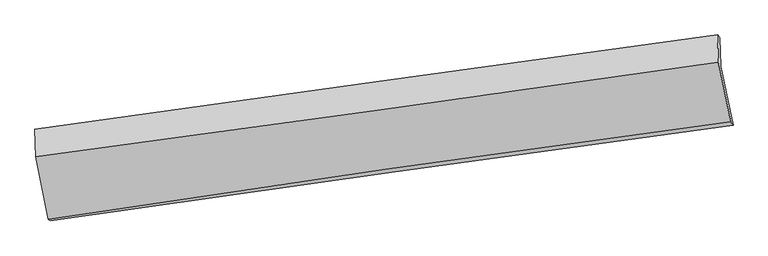
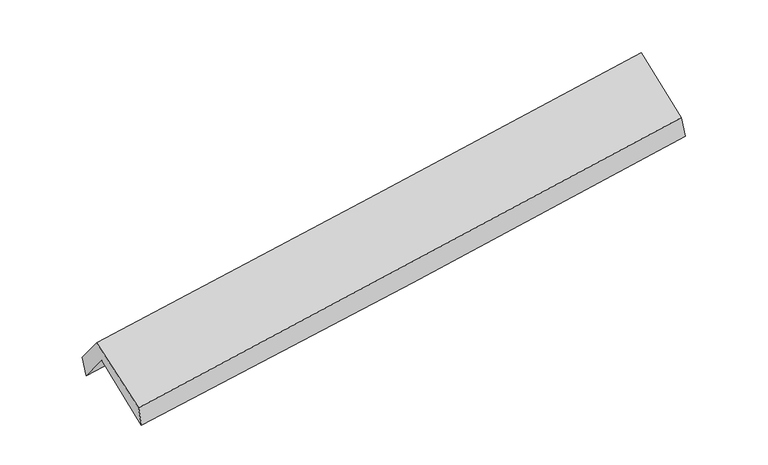
"""IFC4 building model written with IfcOpenShell, lengths in millimetres: proxy geometry."""

from ifc_helpers import new_model, si_unit, frame, origin, place, context, project, spatial, source, transform, mapped, element, save
from ifc_brep_helpers import plane_surface, spline_curve, spline_surface, advanced_brep


def generic_models_8b9c78a9(model_context):
    return source(origin(), model_context, "Body", "AdvancedBrep", [
        advanced_brep(
        [(-2891.7575303, -2508.2143632, 1463.4085138), (-2997.4099762, -2002.1148043, 1879.7367437), (2936.9462043, -1165.1807039, 2362.0154387), (3044.0690162, -1674.5332232, 1942.9906997), (-3005.5691381, -1745.4370837, 1565.641981), (2929.0306601, -916.1669096, 2057.2989699), (-3026.1166442, -1709.1721004, 1745.5263305), (2908.667884, -890.9409933, 2250.6494234), (-3018.4003367, -1951.9181371, 2042.5729874), (2916.2836388, -1130.5237623, 2543.8252114), (-2909.6682714, -2491.5409655, 1643.9790856), (3023.6910198, -1646.5996754, 2132.2157301)],
        [
            (0, 1),
            (1, 2, spline_curve(3, [(-2997.4099762, -2002.1148043, 1879.7367437), (-2008.053855079, -1860.28481622, 1952.683662818), (-1018.833210522, -1719.623524236, 2029.348159249), (959.285501911, -1440.645612714, 2190.108112562), (1948.18358438, -1302.328871317, 2274.203180865), (2936.9462043, -1165.1807039, 2362.0154387)], [4, 2, 4], [0.0, 9.864082676325857, 19.727650515699292])),
            (2, 3),
            (3, 0, spline_curve(3, [(3044.0690162, -1674.5332232, 1942.9906997), (2055.664159064, -1808.316061277, 1844.189907811), (1066.822438883, -1944.679028336, 1754.825126291), (-911.786364284, -2222.572472112, 1594.963412362), (-1901.553492961, -2364.103218539, 1524.467465378), (-2891.7575303, -2508.2143632, 1463.4085138)], [4, 2, 4], [0.0, 9.863567839373435, 19.727650515699292])),
            (1, 4),
            (4, 5, spline_curve(3, [(-3005.5691381, -1745.4370837, 1565.641981), (-2016.191762611, -1604.275742017, 1639.407117614), (-1026.94018823, -1464.58745818, 1717.262277801), (951.2597311, -1188.1642203, 1881.148367827), (1940.208089977, -1051.429112765, 1967.178870487), (2929.0306601, -916.1669096, 2057.2989699)], [4, 2, 4], [0.0, 9.863253904770897, 19.725993015845518])),
            (5, 2),
            (4, 6),
            (6, 7, spline_curve(3, [(-3026.1166442, -1709.1721004, 1745.5263305), (-2036.625272825, -1572.468262413, 1824.739055155), (-1047.301307367, -1435.928642387, 1906.440172047), (930.96018483, -1163.184957467, 2074.814796242), (1919.897728609, -1026.980874799, 2161.488043655), (2908.667884, -890.9409933, 2250.6494234)], [4, 2, 4], [0.0, 9.862990576532987, 19.725466373113612])),
            (7, 5),
            (6, 8),
            (8, 9, spline_curve(3, [(-3018.4003367, -1951.9181371, 2042.5729874), (-2028.825168502, -1817.850451851, 2125.011554139), (-1039.467685265, -1682.3652546, 2208.002960821), (938.760283603, -1408.566981575, 2375.087092947), (1927.630792723, -1270.254053845, 2459.179761252), (2916.2836388, -1130.5237623, 2543.8252114)], [4, 2, 4], [0.0, 9.862777916838551, 19.725041064824108])),
            (9, 7),
            (8, 10),
            (10, 11, spline_curve(3, [(-2909.6682714, -2491.5409655, 1643.9790856), (-1921.146089843, -2341.517405658, 1714.726178604), (-932.425482919, -2196.092133881, 1790.787312572), (1045.360968379, -1914.445517115, 1953.533415207), (2034.426791485, -1778.223691993, 2040.217829483), (3023.6910198, -1646.5996754, 2132.2157301)], [4, 2, 4], [0.0, 9.863527368515191, 19.72653992906119])),
            (11, 9),
            (10, 0),
            (3, 11),
        ],
        [
            spline_surface(3, 3, [[(-2891.7575303, -2508.2143632, 1463.4085138), (-1901.553492873, -2364.103218556, 1524.467465307), (-911.786364309, -2222.572472215, 1594.963412485), (1066.822438908, -1944.679028233, 1754.825126167), (2055.664159198, -1808.31606124, 1844.189907657), (3044.0690162, -1674.5332232, 1942.9906997)], [(-2926.975012266, -2339.514510212, 1602.184590444), (-1937.053613656, -2196.163751105, 1667.206197788), (-947.468646441, -2054.922822885, 1739.758328118), (1030.976793272, -1776.667889746, 1899.919454923), (2019.837300921, -1639.653664594, 1987.527665387), (3008.36141226, -1504.749050099, 2082.665612724)], [(-2962.192494234, -2170.814657288, 1740.960667056), (-1972.553734439, -2028.224283719, 1809.944930236), (-983.150928527, -1887.273173531, 1884.553243748), (995.131147684, -1608.656751235, 2045.013783675), (1984.010442565, -1470.991267952, 2130.865423045), (2972.65380824, -1334.964877001, 2222.340525676)], [(-2997.4099762, -2002.1148043, 1879.7367437), (-2008.053855222, -1860.284816268, 1952.683662717), (-1018.833210659, -1719.623524201, 2029.348159381), (959.285502048, -1440.645612748, 2190.10811243), (1948.183584288, -1302.328871306, 2274.203180775), (2936.9462043, -1165.1807039, 2362.0154387)]], [4, 4], [4, 2, 4], [0.0, 2.2108463934570106], [0.0, 9.864082676325857, 19.727650515699292]),
            spline_surface(3, 3, [[(-2997.4099762, -2002.1148043, 1879.7367437), (-2008.053855222, -1860.284816268, 1952.683662717), (-1018.833210659, -1719.623524201, 2029.348159381), (959.285502048, -1440.645612748, 2190.10811243), (1948.183584288, -1302.328871306, 2274.203180775), (2936.9462043, -1165.1807039, 2362.0154387)], [(-3000.129696819, -1916.5555641, 1775.038489457), (-2010.766490961, -1774.948458134, 1848.258147725), (-1021.535536541, -1634.611502144, 1925.319532218), (956.610245128, -1356.485148644, 2087.121530882), (1945.525086134, -1218.695618487, 2171.861744054), (2934.307689554, -1082.176105788, 2260.443282423)], [(-3002.849417481, -1830.9963239, 1670.340235243), (-2013.479126742, -1689.612099999, 1743.832632764), (-1024.237862479, -1549.599480095, 1821.290905031), (953.934988151, -1272.324684547, 1984.134949309), (1942.866588019, -1135.062365704, 2069.520307362), (2931.669174846, -999.171507712, 2158.871126177)], [(-3005.5691381, -1745.4370837, 1565.641981), (-2016.191762481, -1604.275741865, 1639.407117772), (-1026.940188361, -1464.587458037, 1717.262277867), (951.25973123, -1188.164220442, 1881.14836776), (1940.208089865, -1051.429112885, 1967.178870641), (2929.0306601, -916.1669096, 2057.2989699)]], [4, 4], [4, 2, 4], [0.0, 1.31595245222548], [0.0, 9.863253904770897, 19.725993015845518]),
            spline_surface(3, 3, [[(-3005.5691381, -1745.4370837, 1565.641981), (-2016.191762481, -1604.275741865, 1639.407117772), (-1026.940188361, -1464.587458037, 1717.262277867), (951.25973123, -1188.164220442, 1881.14836776), (1940.208089865, -1051.429112885, 1967.178870641), (2929.0306601, -916.1669096, 2057.2989699)], [(-3012.418306804, -1733.348755932, 1625.603430842), (-2023.00293258, -1593.673248698, 1701.184430263), (-1033.727227997, -1455.034519539, 1780.321575956), (944.493215698, -1179.837799406, 1945.703843897), (1933.437969422, -1043.279700183, 2031.948594956), (2922.243068051, -907.758270839, 2121.749121071)], [(-3019.267475496, -1721.260428168, 1685.564880658), (-2029.814102666, -1583.070755536, 1762.961742727), (-1040.514267584, -1445.481581029, 1843.380874037), (937.726700216, -1171.511378359, 2010.259320027), (1926.667849025, -1035.130287464, 2096.718319259), (2915.455476049, -899.349632061, 2186.199272229)], [(-3026.1166442, -1709.1721004, 1745.5263305), (-2036.625272765, -1572.468262369, 1824.739055218), (-1047.30130722, -1435.928642531, 1906.440172126), (930.960184683, -1163.184957322, 2074.814796164), (1919.897728582, -1026.980874761, 2161.488043574), (2908.667884, -890.9409933, 2250.6494234)]], [4, 4], [4, 2, 4], [0.0, 0.6376571035061778], [0.0, 9.862990576532987, 19.725466373113612]),
            spline_surface(3, 3, [[(-3026.1166442, -1709.1721004, 1745.5263305), (-2036.625272765, -1572.468262369, 1824.739055218), (-1047.30130722, -1435.928642531, 1906.440172126), (930.960184683, -1163.184957322, 2074.814796164), (1919.897728582, -1026.980874761, 2161.488043574), (2908.667884, -890.9409933, 2250.6494234)], [(-3023.544541722, -1790.08744597, 1844.541882799), (-2034.025237988, -1654.26232552, 1924.829888182), (-1044.690099931, -1518.074179873, 2006.961101642), (933.560217712, -1244.978965438, 2174.905561781), (1922.475416587, -1108.071934496, 2260.718616089), (2911.206468943, -970.801916299, 2348.374686045)], [(-3020.972439178, -1871.00279153, 1943.557435101), (-2031.425203144, -1736.056388661, 2024.920721149), (-1042.078892681, -1600.219717189, 2107.482031196), (936.160250701, -1326.772973528, 2274.996327438), (1925.053104562, -1189.162994235, 2359.94918867), (2913.745053857, -1050.662839301, 2446.099948755)], [(-3018.4003367, -1951.9181371, 2042.5729874), (-2028.825168367, -1817.850451812, 2125.011554114), (-1039.467685391, -1682.365254531, 2208.002960712), (938.760283729, -1408.566981644, 2375.087093056), (1927.630792567, -1270.25405397, 2459.179761185), (2916.2836388, -1130.5237623, 2543.8252114)]], [4, 4], [4, 2, 4], [0.0, 1.275246461277113], [0.0, 9.862777916838551, 19.725041064824108]),
            spline_surface(3, 3, [[(-3018.4003367, -1951.9181371, 2042.5729874), (-2028.825168367, -1817.850451812, 2125.011554114), (-1039.467685391, -1682.365254531, 2208.002960712), (938.760283729, -1408.566981644, 2375.087093056), (1927.630792567, -1270.25405397, 2459.179761185), (2916.2836388, -1130.5237623, 2543.8252114)], [(-2982.156314936, -2131.792413246, 1909.708353454), (-1992.932142229, -1992.406103065, 1988.249762229), (-1003.786951194, -1853.607547615, 2068.931077968), (974.29384526, -1577.193160114, 2234.569200486), (1963.229458894, -1439.577266678, 2319.525783986), (2952.086099131, -1302.549066654, 2406.622050988)], [(-2945.912293164, -2311.666689354, 1776.843719546), (-1957.039116085, -2166.961754279, 1851.487970381), (-968.106217028, -2024.849840778, 1929.8591952), (1009.82740676, -1745.819338663, 2094.051307892), (1998.828125228, -1608.900479423, 2179.871806724), (2987.888559469, -1474.574371046, 2269.418890512)], [(-2909.6682714, -2491.5409655, 1643.9790856), (-1921.146089947, -2341.517405532, 1714.726178497), (-932.425482831, -2196.092133862, 1790.787312455), (1045.360968291, -1914.445517133, 1953.533415323), (2034.426791555, -1778.223692131, 2040.217829526), (3023.6910198, -1646.5996754, 2132.2157301)]], [4, 4], [4, 2, 4], [0.0, 2.1939799224163328], [0.0, 9.863527368515191, 19.72653992906119]),
            spline_surface(3, 3, [[(-2909.6682714, -2491.5409655, 1643.9790856), (-1921.146089947, -2341.517405532, 1714.726178497), (-932.425482831, -2196.092133862, 1790.787312455), (1045.360968291, -1914.445517133, 1953.533415323), (2034.426791555, -1778.223692131, 2040.217829526), (3023.6910198, -1646.5996754, 2132.2157301)], [(-2903.698024353, -2497.09876474, 1583.788895003), (-1914.615224242, -2349.04600988, 1651.306607437), (-925.545776667, -2204.918913322, 1725.512679125), (1052.51479182, -1924.523354176, 1887.297318931), (2041.505914097, -1788.254481856, 1974.875188886), (3030.48368526, -1655.910858022, 2069.14071995)], [(-2897.727777347, -2502.65656396, 1523.598704397), (-1908.084358579, -2356.574614208, 1587.887036367), (-918.666070473, -2213.745692755, 1660.238045816), (1059.668615379, -1934.601191191, 1821.061222559), (2048.585036656, -1798.285271515, 1909.532548297), (3037.27635074, -1665.222040578, 2006.06570985)], [(-2891.7575303, -2508.2143632, 1463.4085138), (-1901.553492873, -2364.103218556, 1524.467465307), (-911.786364309, -2222.572472215, 1594.963412485), (1066.822438908, -1944.679028233, 1754.825126167), (2055.664159198, -1808.31606124, 1844.189907657), (3044.0690162, -1674.5332232, 1942.9906997)]], [4, 4], [4, 2, 4], [0.0, 0.6574880585613042], [0.0, 9.864682251504266, 19.728849634762426]),
            plane_surface(frame((2959.7814039, -1237.3242113, 2214.8325789), z_axis=(0.9868611059898651, 0.13672237083517302, 0.08609384877951597), x_axis=(0.1605972290494077, -0.7716449358548816, -0.6154450609040323))),
            plane_surface(frame((-2974.8203162, -2068.0662424, 1723.477607), z_axis=(-0.9870473983958827, -0.13583329503889643, -0.08536245825183168), x_axis=(-0.09829125949233575, 0.09150091829904926, 0.9909421831054731))),
        ],
        [
            (0, [[1, 2, 3, 4]]),
            (1, [[5, 6, 7, -2]]),
            (2, [[8, 9, 10, -6]]),
            (3, [[11, 12, 13, -9]]),
            (4, [[14, 15, 16, -12]]),
            (5, [[17, -4, 18, -15]]),
            (6, [[-16, -18, -3, -7, -10, -13]]),
            (7, [[-17, -14, -11, -8, -5, -1]]),
        ],
    ),
    ])


if __name__ == "__main__":
    model = new_model("IFC4")
    model_context = context("Model", 3, world=origin())
    ifc_project = project(units=[si_unit("LENGTHUNIT", "METRE", prefix="MILLI")], contexts=[model_context])
    site = spatial("IfcSite", under=ifc_project)
    building = spatial("IfcBuilding", under=site)
    placement = place(None, origin())
    generic_models_shape = generic_models_8b9c78a9(model_context)
    element("IfcBuildingElementProxy", 1, Name="Generic Models", at=placement, inside=building, context=model_context, shape_type="MappedRepresentation", body=[
        mapped(generic_models_shape, transform((0.0, 0.0, 0.0), x_axis=(1.0, 0.0, 0.0), y_axis=(0.0, 1.0, 0.0), z_axis=(0.0, 0.0, 1.0))),
    ])
    save(model, "model.ifc")
